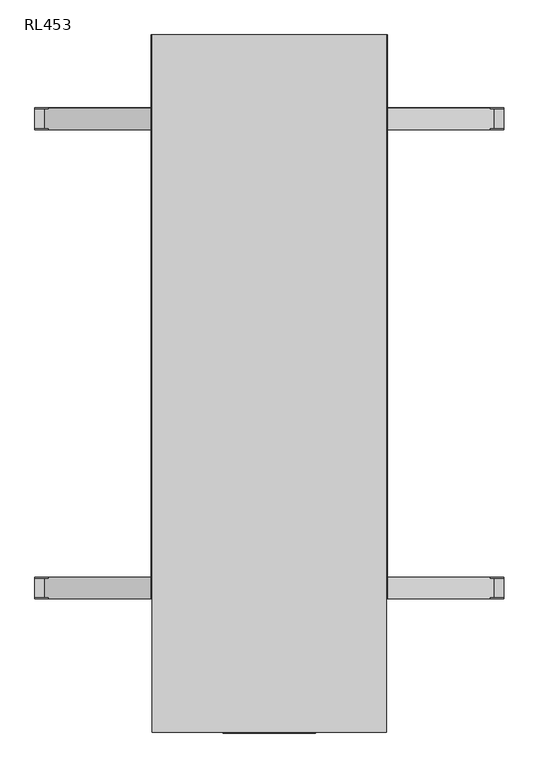
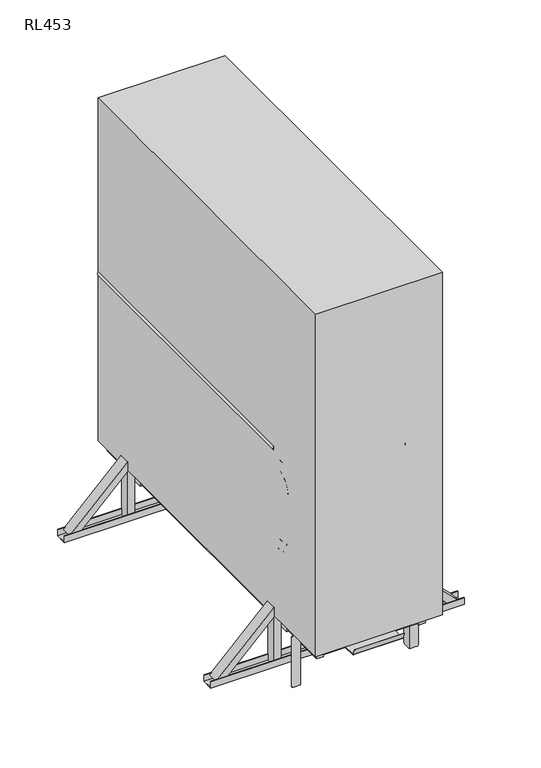
"""IFC4 building model written with IfcOpenShell, lengths in millimetres: proxy geometry, RL453."""

from ifc_helpers import new_model, si_unit, point, frame, frame_2d, origin, place, context, project, spatial, polyline, circle_curve, ellipse_curve, trimmed, segment, composite_curve, outline, extrude, source, transform, mapped, element, save
from ifc_brep_helpers import plane_surface, cylinder_surface, revolved_surface, advanced_brep


def rl453_b0239e3f(model_context):
    return source(origin(), model_context, "Body", "SolidModel", [
        extrude(outline(polyline([(300.0, 230.0), (300.0, 211.5), (-300.0, 211.5), (-300.0, 230.0), (300.0, 230.0)])), frame((0.0, 0.0, 281.5), z_axis=(0.0, 0.0, 1.0), x_axis=(1.0, 0.0, 0.0)), (0.0, 0.0, 1.0), 18.5),
        extrude(outline(polyline([(300.0, 2178.5), (300.0, 2160.0), (-300.0, 2160.0), (-300.0, 2178.5), (300.0, 2178.5)])), frame((0.0, 0.0, 281.5), z_axis=(0.0, 0.0, 1.0), x_axis=(1.0, 0.0, 0.0)), (0.0, 0.0, 1.0), 18.5),
        advanced_brep(
        [(328.5, 499.5, 1160.0), (328.5, 499.5, 1198.0), (328.5, 464.5, 1160.0), (328.5, 464.5, 1198.0), (328.5, 345.5, 1079.0), (328.5, 383.5, 1079.0), (328.5, 383.5, 819.0), (328.5, 345.5, 819.0), (328.5, 464.5, 700.0), (328.5, 464.5, 738.0), (328.5, 499.5, 738.0), (328.5, 499.5, 700.0)],
        [
            (0, 1, circle_curve(frame((328.5, 499.5, 1179.0), z_axis=(0.0, 1.0, 0.0), x_axis=(0.0, 0.0, 1.0)), 19.0)),
            (1, 0, circle_curve(frame((328.5, 499.5, 1179.0), z_axis=(0.0, 1.0, 0.0), x_axis=(0.0, 0.0, 1.0)), 19.0)),
            (0, 2),
            (2, 3, circle_curve(frame((328.5, 464.5, 1179.0), z_axis=(0.0, 1.0, 0.0), x_axis=(0.0, 0.0, 1.0)), 19.0)),
            (3, 1),
            (3, 2, circle_curve(frame((328.5, 464.5, 1179.0), z_axis=(0.0, 1.0, 0.0), x_axis=(0.0, 0.0, 1.0)), 19.0)),
            (4, 3, circle_curve(frame((328.5, 464.5, 1079.0), z_axis=(-1.0, 0.0, 0.0), x_axis=(0.0, 0.0, 1.0)), 119.0)),
            (2, 5, circle_curve(frame((328.5, 464.5, 1079.0), z_axis=(1.0, 0.0, 0.0), x_axis=(0.0, 0.0, 1.0)), 81.0)),
            (5, 4, circle_curve(frame((328.5, 364.5, 1079.0), z_axis=(0.0, 0.0, 1.0), x_axis=(0.0, -1.0, 0.0)), 19.0)),
            (4, 5, circle_curve(frame((328.5, 364.5, 1079.0), z_axis=(0.0, 0.0, 1.0), x_axis=(0.0, -1.0, 0.0)), 19.0)),
            (5, 6),
            (6, 7, circle_curve(frame((328.5, 364.5, 819.0), z_axis=(0.0, 0.0, 1.0), x_axis=(0.0, -1.0, 0.0)), 19.0)),
            (7, 4),
            (7, 6, circle_curve(frame((328.5, 364.5, 819.0), z_axis=(0.0, 0.0, 1.0), x_axis=(0.0, -1.0, 0.0)), 19.0)),
            (8, 7, circle_curve(frame((328.5, 464.5, 819.0), z_axis=(-1.0, 0.0, 0.0), x_axis=(0.0, -1.0, 0.0)), 119.0)),
            (6, 9, circle_curve(frame((328.5, 464.5, 819.0), z_axis=(1.0, 0.0, 0.0), x_axis=(0.0, -1.0, 0.0)), 81.0)),
            (9, 8, circle_curve(frame((328.5, 464.5, 719.0), z_axis=(0.0, -1.0, 0.0), x_axis=(0.0, 0.0, -1.0)), 19.0)),
            (8, 9, circle_curve(frame((328.5, 464.5, 719.0), z_axis=(0.0, -1.0, 0.0), x_axis=(0.0, 0.0, -1.0)), 19.0)),
            (10, 11, circle_curve(frame((328.5, 499.5, 719.0), z_axis=(0.0, 1.0, 0.0), x_axis=(0.0, 0.0, -1.0)), 19.0)),
            (11, 10, circle_curve(frame((328.5, 499.5, 719.0), z_axis=(0.0, 1.0, 0.0), x_axis=(0.0, 0.0, -1.0)), 19.0)),
            (9, 10),
            (11, 8),
        ],
        [
            plane_surface(frame((328.5, 499.5, 1179.0), z_axis=(0.0, 1.0, 0.0), x_axis=(-1.0, 0.0, 0.0))),
            cylinder_surface(frame((328.5, 499.5, 1179.0), z_axis=(0.0, 1.0, 0.0), x_axis=(0.0, 0.0, 1.0)), 19.0),
            revolved_surface(trimmed(ellipse_curve(frame((328.5, 464.5, 1179.0), z_axis=(0.0, 1.0, 0.0), x_axis=(0.0, 0.0, 1.0)), 19.0, 19.0), [point((328.5, 464.5, 1160.0))], [point((328.5, 464.5, 1198.0))], True, "CARTESIAN"), (328.5, 464.5, 1079.0), (1.0, 0.0, 0.0)),
            revolved_surface(trimmed(ellipse_curve(frame((328.5, 464.5, 1179.0), z_axis=(0.0, 1.0, 0.0), x_axis=(0.0, 0.0, 1.0)), 19.0, 19.0), [point((328.5, 464.5, 1198.0))], [point((328.5, 464.5, 1160.0))], True, "CARTESIAN"), (328.5, 464.5, 1079.0), (1.0, 0.0, 0.0)),
            cylinder_surface(frame((328.5, 364.5, 1079.0), z_axis=(0.0, 0.0, 1.0), x_axis=(0.0, -1.0, 0.0)), 19.0),
            revolved_surface(trimmed(ellipse_curve(frame((328.5, 364.5, 819.0), z_axis=(0.0, 0.0, 1.0), x_axis=(0.0, -1.0, 0.0)), 19.0, 19.0), [point((328.5, 383.5, 819.0))], [point((328.5, 345.5, 819.0))], True, "CARTESIAN"), (328.5, 464.5, 819.0), (1.0, 0.0, 0.0)),
            revolved_surface(trimmed(ellipse_curve(frame((328.5, 364.5, 819.0), z_axis=(0.0, 0.0, 1.0), x_axis=(0.0, -1.0, 0.0)), 19.0, 19.0), [point((328.5, 345.5, 819.0))], [point((328.5, 383.5, 819.0))], True, "CARTESIAN"), (328.5, 464.5, 819.0), (1.0, 0.0, 0.0)),
            plane_surface(frame((328.5, 499.5, 719.0), z_axis=(0.0, 1.0, 0.0), x_axis=(-1.0, 0.0, 0.0))),
            cylinder_surface(frame((328.5, 464.5, 719.0), z_axis=(0.0, -1.0, 0.0), x_axis=(0.0, 0.0, -1.0)), 19.0),
        ],
        [
            (0, [[1, 2]]),
            (1, [[-1, 3, 4, 5]]),
            (1, [[-2, -5, 6, -3]]),
            (2, [[7, -4, 8, 9]]),
            (3, [[-8, -6, -7, 10]]),
            (4, [[-9, 11, 12, 13]]),
            (4, [[-10, -13, 14, -11]]),
            (5, [[15, -12, 16, 17]]),
            (6, [[-16, -14, -15, 18]]),
            (7, [[19, 20]]),
            (8, [[-17, 21, -20, 22]]),
            (8, [[-18, -22, -19, -21]]),
        ],
    ),
        advanced_brep(
        [(-328.5, 499.5, 1198.0), (-328.5, 499.5, 1160.0), (-328.5, 464.5, 1160.0), (-328.5, 464.5, 1198.0), (-328.5, 345.5, 1079.0), (-328.5, 383.5, 1079.0), (-328.5, 383.5, 819.0), (-328.5, 345.5, 819.0), (-328.5, 464.5, 700.0), (-328.5, 464.5, 738.0), (-328.5, 499.5, 700.0), (-328.5, 499.5, 738.0)],
        [
            (0, 1, circle_curve(frame((-328.5, 499.5, 1179.0), z_axis=(0.0, 1.0, 0.0), x_axis=(0.0, 0.0, -1.0)), 19.0)),
            (1, 0, circle_curve(frame((-328.5, 499.5, 1179.0), z_axis=(0.0, 1.0, 0.0), x_axis=(0.0, 0.0, -1.0)), 19.0)),
            (1, 2),
            (2, 3, circle_curve(frame((-328.5, 464.5, 1179.0), z_axis=(0.0, 1.0, 0.0), x_axis=(0.0, 0.0, -1.0)), 19.0)),
            (3, 0),
            (3, 2, circle_curve(frame((-328.5, 464.5, 1179.0), z_axis=(0.0, 1.0, 0.0), x_axis=(0.0, 0.0, -1.0)), 19.0)),
            (4, 3, circle_curve(frame((-328.5, 464.5, 1079.0), z_axis=(-1.0, 0.0, 0.0), x_axis=(0.0, 0.0, 1.0)), 119.0)),
            (2, 5, circle_curve(frame((-328.5, 464.5, 1079.0), z_axis=(1.0, 0.0, 0.0), x_axis=(0.0, 0.0, 1.0)), 81.0)),
            (5, 4, circle_curve(frame((-328.5, 364.5, 1079.0), z_axis=(0.0, 0.0, 1.0), x_axis=(0.0, 1.0, 0.0)), 19.0)),
            (4, 5, circle_curve(frame((-328.5, 364.5, 1079.0), z_axis=(0.0, 0.0, 1.0), x_axis=(0.0, 1.0, 0.0)), 19.0)),
            (5, 6),
            (6, 7, circle_curve(frame((-328.5, 364.5, 819.0), z_axis=(0.0, 0.0, 1.0), x_axis=(0.0, 1.0, 0.0)), 19.0)),
            (7, 4),
            (7, 6, circle_curve(frame((-328.5, 364.5, 819.0), z_axis=(0.0, 0.0, 1.0), x_axis=(0.0, 1.0, 0.0)), 19.0)),
            (8, 7, circle_curve(frame((-328.5, 464.5, 819.0), z_axis=(-1.0, 0.0, 0.0), x_axis=(0.0, -1.0, 0.0)), 119.0)),
            (6, 9, circle_curve(frame((-328.5, 464.5, 819.0), z_axis=(1.0, 0.0, 0.0), x_axis=(0.0, -1.0, 0.0)), 81.0)),
            (9, 8, circle_curve(frame((-328.5, 464.5, 719.0), z_axis=(0.0, -1.0, 0.0), x_axis=(0.0, 0.0, 1.0)), 19.0)),
            (8, 9, circle_curve(frame((-328.5, 464.5, 719.0), z_axis=(0.0, -1.0, 0.0), x_axis=(0.0, 0.0, 1.0)), 19.0)),
            (10, 11, circle_curve(frame((-328.5, 499.5, 719.0), z_axis=(0.0, 1.0, 0.0), x_axis=(0.0, 0.0, 1.0)), 19.0)),
            (11, 10, circle_curve(frame((-328.5, 499.5, 719.0), z_axis=(0.0, 1.0, 0.0), x_axis=(0.0, 0.0, 1.0)), 19.0)),
            (9, 11),
            (10, 8),
        ],
        [
            plane_surface(frame((-328.5, 499.5, 1179.0), z_axis=(0.0, 1.0, 0.0), x_axis=(1.0, 0.0, 0.0))),
            cylinder_surface(frame((-328.5, 499.5, 1179.0), z_axis=(0.0, 1.0, 0.0), x_axis=(0.0, 0.0, -1.0)), 19.0),
            revolved_surface(trimmed(ellipse_curve(frame((-328.5, 464.5, 1179.0), z_axis=(0.0, 1.0, 0.0), x_axis=(0.0, 0.0, -1.0)), 19.0, 19.0), [point((-328.5, 464.5, 1160.0))], [point((-328.5, 464.5, 1198.0))], True, "CARTESIAN"), (-328.5, 464.5, 1079.0), (1.0, 0.0, 0.0)),
            revolved_surface(trimmed(ellipse_curve(frame((-328.5, 464.5, 1179.0), z_axis=(0.0, 1.0, 0.0), x_axis=(0.0, 0.0, -1.0)), 19.0, 19.0), [point((-328.5, 464.5, 1198.0))], [point((-328.5, 464.5, 1160.0))], True, "CARTESIAN"), (-328.5, 464.5, 1079.0), (1.0, 0.0, 0.0)),
            cylinder_surface(frame((-328.5, 364.5, 1079.0), z_axis=(0.0, 0.0, 1.0), x_axis=(0.0, 1.0, 0.0)), 19.0),
            revolved_surface(trimmed(ellipse_curve(frame((-328.5, 364.5, 819.0), z_axis=(0.0, 0.0, 1.0), x_axis=(0.0, 1.0, 0.0)), 19.0, 19.0), [point((-328.5, 383.5, 819.0))], [point((-328.5, 345.5, 819.0))], True, "CARTESIAN"), (-328.5, 464.5, 819.0), (1.0, 0.0, 0.0)),
            revolved_surface(trimmed(ellipse_curve(frame((-328.5, 364.5, 819.0), z_axis=(0.0, 0.0, 1.0), x_axis=(0.0, 1.0, 0.0)), 19.0, 19.0), [point((-328.5, 345.5, 819.0))], [point((-328.5, 383.5, 819.0))], True, "CARTESIAN"), (-328.5, 464.5, 819.0), (1.0, 0.0, 0.0)),
            plane_surface(frame((-328.5, 499.5, 719.0), z_axis=(0.0, 1.0, 0.0), x_axis=(1.0, 0.0, 0.0))),
            cylinder_surface(frame((-328.5, 464.5, 719.0), z_axis=(0.0, -1.0, 0.0), x_axis=(0.0, 0.0, 1.0)), 19.0),
        ],
        [
            (0, [[1, 2]]),
            (1, [[-2, 3, 4, 5]]),
            (1, [[-1, -5, 6, -3]]),
            (2, [[7, -4, 8, 9]]),
            (3, [[-8, -6, -7, 10]]),
            (4, [[-9, 11, 12, 13]]),
            (4, [[-10, -13, 14, -11]]),
            (5, [[15, -12, 16, 17]]),
            (6, [[-16, -14, -15, 18]]),
            (7, [[19, 20]]),
            (8, [[-17, 21, -19, 22]]),
            (8, [[-18, -22, -20, -21]]),
        ],
    ),
        extrude(outline(polyline([(300.0, 2178.5), (300.0, 176.5), (262.0, 176.5), (262.0, 189.5), (-262.0, 189.5), (-262.0, 176.5), (-300.0, 176.5), (-300.0, 2178.5), (300.0, 2178.5)]), holes=[polyline([(262.0, 2140.5), (-262.0, 2140.5), (-262.0, 227.5), (262.0, 227.5), (262.0, 2140.5)])]), frame((0.0, 0.0, 224.2375855), z_axis=(0.0, 0.0, 1.0), x_axis=(1.0, 0.0, 0.0)), (0.0, 0.0, 1.0), 57.2624145),
        extrude(outline(composite_curve([segment(polyline([(1261.43534, -349.5), (1243.0, -349.5), (1243.0, -307.5), (1261.43534, -307.5)]), True, "CONTINUOUS"), segment(trimmed(circle_curve(frame_2d((1275.0, -328.5)), 25.0), [point((1261.43534, -307.5))], [point((1261.43534, -349.5))], False, "CARTESIAN"), True, "CONTINUOUS")], self_intersect=False)), frame((0.0, 498.5, 0.0), z_axis=(0.0, 1.0, 0.0), x_axis=(0.0, 0.0, 1.0)), (0.0, 0.0, 1.0), 1680.0),
        extrude(outline(composite_curve([segment(trimmed(circle_curve(frame_2d((1275.0, 328.5)), 25.0), [point((1261.43534, 349.5))], [point((1261.43534, 307.5))], False, "CARTESIAN"), True, "CONTINUOUS"), segment(polyline([(1261.43534, 307.5), (1243.0, 307.5), (1243.0, 349.5), (1261.43534, 349.5)]), True, "CONTINUOUS")], self_intersect=False)), frame((0.0, 498.5, 0.0), z_axis=(0.0, 1.0, 0.0), x_axis=(0.0, 0.0, 1.0)), (0.0, 0.0, 1.0), 1680.0),
        extrude(outline(composite_curve([segment(trimmed(circle_curve(frame_2d((808.0, 294.5187617)), 20.0), [point((821.25, 309.5))], [point((794.75, 309.5))], False, "CARTESIAN"), True, "CONTINUOUS"), segment(polyline([(794.75, 309.5), (821.25, 309.5)]), True, "CONTINUOUS")], self_intersect=False)), frame((0.0, 499.5, 0.0), z_axis=(0.0, 1.0, 0.0), x_axis=(0.0, 0.0, 1.0)), (0.0, 0.0, 1.0), 1679.0),
        extrude(outline(composite_curve([segment(polyline([(821.25, -309.5), (794.75, -309.5)]), True, "CONTINUOUS"), segment(trimmed(circle_curve(frame_2d((808.0, -294.5187617)), 20.0), [point((794.75, -309.5))], [point((821.25, -309.5))], False, "CARTESIAN"), True, "CONTINUOUS")], self_intersect=False)), frame((0.0, 499.5, 0.0), z_axis=(0.0, 1.0, 0.0), x_axis=(0.0, 0.0, 1.0)), (0.0, 0.0, 1.0), 1679.0),
        extrude(outline(polyline([(558.0, 38.0), (561.0, 38.0), (561.0, 0.0), (496.0, 0.0), (496.0, 38.0), (499.0, 38.0), (499.0, 3.0), (558.0, 3.0), (558.0, 38.0)])), frame((-700.0, 0.0, 0.0), z_axis=(1.0, 0.0, 0.0), x_axis=(0.0, 1.0, 0.0)), (0.0, 0.0, 1.0), 1400.0),
        extrude(outline(polyline([(1961.0, 38.0), (1961.0, 0.0), (1896.0, 0.0), (1896.0, 38.0), (1899.0, 38.0), (1899.0, 3.0), (1958.0, 3.0), (1958.0, 38.0), (1961.0, 38.0)])), frame((-700.0, 0.0, 0.0), z_axis=(1.0, 0.0, 0.0), x_axis=(0.0, 1.0, 0.0)), (0.0, 0.0, 1.0), 1400.0),
        extrude(outline(polyline([(-29.0, -38.0), (-32.0, -38.0), (-32.0, 0.0), (32.0, 0.0), (32.0, -38.0), (29.0, -38.0), (29.0, -2.9999999), (-29.0, -2.9999999), (-29.0, -38.0)])), frame((670.0, 528.5, 28.0), z_axis=(-0.7071067811865459, 0.0, 0.7071067811865492), x_axis=(0.0, -1.0, 0.0)), (0.0, 0.0, 1.0), 456.0838739),
        extrude(outline(polyline([(-29.0, 38.0), (-29.0, 2.9999999), (29.0, 2.9999999), (29.0, 38.0), (32.0, 38.0), (32.0, 0.0), (-32.0, 0.0), (-32.0, 38.0), (-29.0, 38.0)])), frame((-670.0, 528.5, 28.0), z_axis=(0.7071067811865526, 0.0, 0.7071067811865425), x_axis=(0.0, -1.0, 0.0)), (0.0, 0.0, 1.0), 456.0838739),
        extrude(outline(polyline([(-29.0, -38.0), (-32.0, -38.0), (-32.0, 0.0), (32.0, 0.0), (32.0, -38.0), (29.0, -38.0), (29.0, -2.9999999), (-29.0, -2.9999999), (-29.0, -38.0)])), frame((670.0, 1928.5, 28.0), z_axis=(-0.7071067811865461, 0.0, 0.7071067811865491), x_axis=(0.0, -1.0, 0.0)), (0.0, 0.0, 1.0), 456.0838739),
        extrude(outline(polyline([(-29.0, 38.0), (-29.0, 2.9999999), (29.0, 2.9999999), (29.0, 38.0), (32.0, 38.0), (32.0, 0.0), (-32.0, 0.0), (-32.0, 38.0), (-29.0, 38.0)])), frame((-670.0, 1928.5, 28.0), z_axis=(0.7071067811865526, 0.0, 0.7071067811865425), x_axis=(0.0, -1.0, 0.0)), (0.0, 0.0, 1.0), 456.0838739),
        extrude(outline(polyline([(347.5, 557.5), (347.5, 499.5), (309.5, 499.5), (309.5, 557.5), (347.5, 557.5)])), frame((0.0, 0.0, 3.0), z_axis=(0.0, 0.0, 1.0), x_axis=(1.0, 0.0, 0.0)), (0.0, 0.0, 1.0), 1240.0),
        extrude(outline(polyline([(347.5, 1957.5), (347.5, 1899.5), (309.5, 1899.5), (309.5, 1957.5), (347.5, 1957.5)])), frame((0.0, 0.0, 3.0), z_axis=(0.0, 0.0, 1.0), x_axis=(1.0, 0.0, 0.0)), (0.0, 0.0, 1.0), 1240.0),
        extrude(outline(polyline([(-309.5, 1957.5), (-309.5, 1899.5), (-347.5, 1899.5), (-347.5, 1957.5), (-309.5, 1957.5)])), frame((0.0, 0.0, 3.0), z_axis=(0.0, 0.0, 1.0), x_axis=(1.0, 0.0, 0.0)), (0.0, 0.0, 1.0), 1240.0),
        extrude(outline(polyline([(-309.5, 557.5), (-309.5, 499.5), (-347.5, 499.5), (-347.5, 557.5), (-309.5, 557.5)])), frame((0.0, 0.0, 3.0), z_axis=(0.0, 0.0, 1.0), x_axis=(1.0, 0.0, 0.0)), (0.0, 0.0, 1.0), 1240.0),
        extrude(outline(polyline([(300.0, 2160.0), (300.0, 230.0), (-300.0, 230.0), (-300.0, 2160.0), (300.0, 2160.0)])), frame((0.0, 0.0, 281.5), z_axis=(0.0, 0.0, 1.0), x_axis=(1.0, 0.0, 0.0)), (0.0, 0.0, 1.0), 18.5),
        extrude(outline(polyline([(262.0, 725.5), (262.0, 667.5), (-262.0, 667.5), (-262.0, 725.5), (262.0, 725.5)])), frame((0.0, 0.0, 243.5), z_axis=(0.0, 0.0, 1.0), x_axis=(1.0, 0.0, 0.0)), (0.0, 0.0, 1.0), 38.0),
        advanced_brep(
        [(-303.0, 368.5, 279.9812072), (-303.0, 378.5, 269.9812072), (-303.0, 378.5, -10.0187928), (-303.0, 368.5, -20.0187928), (-303.0, 331.5, -20.0187928), (-303.0, 331.5, 279.9812072), (-300.0, 328.5, -20.0187928), (-300.0, 368.5, -20.0187928), (-300.0, 378.5, -10.0187928), (-300.0, 378.5, 269.9812072), (-300.0, 368.5, 279.9812072), (-300.0, 328.5, 279.9812072), (-340.0, 331.5, 279.9812072), (-340.0, 328.5, 279.9812072), (-350.0, 328.5, 269.9812072), (-350.0, 328.5, -10.0187928), (-340.0, 328.5, -20.0187928), (-340.0, 331.5, -20.0187928), (-350.0, 331.5, -10.0187928), (-350.0, 331.5, 269.9812072)],
        [
            (0, 1, circle_curve(frame((-303.0, 368.5, 269.9812072), z_axis=(-1.0, 0.0, 0.0), x_axis=(0.0, 1.0, 0.0)), 10.0)),
            (1, 2),
            (2, 3, circle_curve(frame((-303.0, 368.5, -10.0187928), z_axis=(-1.0, 0.0, 0.0), x_axis=(0.0, 1.0, 0.0)), 10.0)),
            (3, 4),
            (4, 5),
            (5, 0),
            (6, 7),
            (7, 8, circle_curve(frame((-300.0, 368.5, -10.0187928), z_axis=(1.0, 0.0, 0.0), x_axis=(0.0, 1.0, 0.0)), 10.0)),
            (8, 9),
            (9, 10, circle_curve(frame((-300.0, 368.5, 269.9812072), z_axis=(1.0, 0.0, 0.0), x_axis=(0.0, 1.0, 0.0)), 10.0)),
            (10, 11),
            (11, 6),
            (2, 8),
            (7, 3),
            (1, 9),
            (0, 10),
            (5, 12),
            (12, 13),
            (13, 11),
            (13, 14, circle_curve(frame((-340.0, 328.5, 269.9812072), z_axis=(0.0, -1.0, 0.0), x_axis=(-1.0, 0.0, 0.0)), 10.0)),
            (14, 15),
            (15, 16, circle_curve(frame((-340.0, 328.5, -10.0187928), z_axis=(0.0, -1.0, 0.0), x_axis=(-1.0, 0.0, 0.0)), 10.0)),
            (16, 6),
            (16, 17),
            (17, 4),
            (17, 18, circle_curve(frame((-340.0, 331.5, -10.0187928), z_axis=(0.0, 1.0, 0.0), x_axis=(-1.0, 0.0, 0.0)), 10.0)),
            (18, 19),
            (19, 12, circle_curve(frame((-340.0, 331.5, 269.9812072), z_axis=(0.0, 1.0, 0.0), x_axis=(-1.0, 0.0, 0.0)), 10.0)),
            (15, 18),
            (14, 19),
        ],
        [
            plane_surface(frame((-303.0, 378.5, -10.0187928), z_axis=(-1.0, 0.0, 0.0), x_axis=(0.0, 0.0, -1.0))),
            plane_surface(frame((-300.0, 378.5, -10.0187928), z_axis=(1.0, 0.0, 0.0), x_axis=(0.0, 0.0, 1.0))),
            cylinder_surface(frame((-303.0, 368.5, -10.0187928), z_axis=(1.0, 0.0, 0.0), x_axis=(0.0, 1.0, 0.0)), 10.0),
            plane_surface(frame((-300.0, 378.5, -10.0187928), z_axis=(0.0, 1.0, 0.0), x_axis=(-1.0, 0.0, 0.0))),
            cylinder_surface(frame((-303.0, 368.5, 269.9812072), z_axis=(1.0, 0.0, 0.0), x_axis=(0.0, 1.0, 0.0)), 10.0),
            plane_surface(frame((-300.0, 368.5, 279.9812072), z_axis=(0.0, 0.0, 1.0), x_axis=(-1.0, 0.0, 0.0))),
            plane_surface(frame((-300.0, 328.5, 279.9812072), z_axis=(0.0, -1.0, 0.0), x_axis=(-1.0, 0.0, 0.0))),
            plane_surface(frame((-300.0, 328.5, -20.0187928), z_axis=(0.0, 0.0, -1.0), x_axis=(-1.0, 0.0, 0.0))),
            plane_surface(frame((-300.0, 331.5, -20.0187928), z_axis=(0.0, 1.0, 0.0), x_axis=(-1.0, 0.0, 0.0))),
            cylinder_surface(frame((-340.0, 331.5, -10.0187928), z_axis=(0.0, -1.0, 0.0), x_axis=(-1.0, 0.0, 0.0)), 10.0),
            plane_surface(frame((-350.0, 328.5, 269.9812072), z_axis=(-1.0, 0.0, 0.0), x_axis=(0.0, 1.0, 0.0))),
            cylinder_surface(frame((-340.0, 331.5, 269.9812072), z_axis=(0.0, -1.0, 0.0), x_axis=(-1.0, 0.0, 0.0)), 10.0),
        ],
        [
            (0, [[1, 2, 3, 4, 5, 6]]),
            (1, [[7, 8, 9, 10, 11, 12]]),
            (2, [[-3, 13, -8, 14]]),
            (3, [[-2, 15, -9, -13]]),
            (4, [[-1, 16, -10, -15]]),
            (5, [[-16, -6, 17, 18, 19, -11]]),
            (6, [[-12, -19, 20, 21, 22, 23]]),
            (7, [[-14, -7, -23, 24, 25, -4]]),
            (8, [[26, 27, 28, -17, -5, -25]]),
            (9, [[-26, -24, -22, 29]]),
            (10, [[-27, -29, -21, 30]]),
            (11, [[-28, -30, -20, -18]]),
        ],
    ),
        advanced_brep(
        [(340.0, 331.5, 279.9812072), (350.0, 331.5, 269.9812072), (350.0, 331.5, -10.0187928), (340.0, 331.5, -20.0187928), (303.0, 331.5, -20.0187928), (303.0, 331.5, 279.9812072), (300.0, 328.5, -20.0187928), (340.0, 328.5, -20.0187928), (350.0, 328.5, -10.0187928), (350.0, 328.5, 269.9812072), (340.0, 328.5, 279.9812072), (300.0, 328.5, 279.9812072), (303.0, 368.5, 279.9812072), (300.0, 368.5, 279.9812072), (300.0, 378.5, 269.9812072), (300.0, 378.5, -10.0187928), (300.0, 368.5, -20.0187928), (303.0, 368.5, -20.0187928), (303.0, 378.5, -10.0187928), (303.0, 378.5, 269.9812072)],
        [
            (0, 1, circle_curve(frame((340.0, 331.5, 269.9812072), z_axis=(0.0, 1.0, 0.0), x_axis=(1.0, 0.0, 0.0)), 10.0)),
            (1, 2),
            (2, 3, circle_curve(frame((340.0, 331.5, -10.0187928), z_axis=(0.0, 1.0, 0.0), x_axis=(1.0, 0.0, 0.0)), 10.0)),
            (3, 4),
            (4, 5),
            (5, 0),
            (6, 7),
            (7, 8, circle_curve(frame((340.0, 328.5, -10.0187928), z_axis=(0.0, -1.0, 0.0), x_axis=(1.0, 0.0, 0.0)), 10.0)),
            (8, 9),
            (9, 10, circle_curve(frame((340.0, 328.5, 269.9812072), z_axis=(0.0, -1.0, 0.0), x_axis=(1.0, 0.0, 0.0)), 10.0)),
            (10, 11),
            (11, 6),
            (2, 8),
            (7, 3),
            (1, 9),
            (0, 10),
            (5, 12),
            (12, 13),
            (13, 11),
            (13, 14, circle_curve(frame((300.0, 368.5, 269.9812072), z_axis=(-1.0, 0.0, 0.0), x_axis=(0.0, 1.0, 0.0)), 10.0)),
            (14, 15),
            (15, 16, circle_curve(frame((300.0, 368.5, -10.0187928), z_axis=(-1.0, 0.0, 0.0), x_axis=(0.0, 1.0, 0.0)), 10.0)),
            (16, 6),
            (16, 17),
            (17, 4),
            (17, 18, circle_curve(frame((303.0, 368.5, -10.0187928), z_axis=(1.0, 0.0, 0.0), x_axis=(0.0, 1.0, 0.0)), 10.0)),
            (18, 19),
            (19, 12, circle_curve(frame((303.0, 368.5, 269.9812072), z_axis=(1.0, 0.0, 0.0), x_axis=(0.0, 1.0, 0.0)), 10.0)),
            (15, 18),
            (14, 19),
        ],
        [
            plane_surface(frame((350.0, 331.5, -10.0187928), z_axis=(0.0, 1.0, 0.0), x_axis=(0.0, 0.0, -1.0))),
            plane_surface(frame((350.0, 328.5, -10.0187928), z_axis=(0.0, -1.0, 0.0), x_axis=(0.0, 0.0, 1.0))),
            cylinder_surface(frame((340.0, 331.5, -10.0187928), z_axis=(0.0, -1.0, 0.0), x_axis=(1.0, 0.0, 0.0)), 10.0),
            plane_surface(frame((350.0, 328.5, -10.0187928), z_axis=(1.0, 0.0, 0.0), x_axis=(0.0, 1.0, 0.0))),
            cylinder_surface(frame((340.0, 331.5, 269.9812072), z_axis=(0.0, -1.0, 0.0), x_axis=(1.0, 0.0, 0.0)), 10.0),
            plane_surface(frame((340.0, 328.5, 279.9812072), z_axis=(0.0, 0.0, 1.0), x_axis=(0.0, 1.0, 0.0))),
            plane_surface(frame((300.0, 328.5, 279.9812072), z_axis=(-1.0, 0.0, 0.0), x_axis=(0.0, 1.0, 0.0))),
            plane_surface(frame((300.0, 328.5, -20.0187928), z_axis=(0.0, 0.0, -1.0), x_axis=(0.0, 1.0, 0.0))),
            plane_surface(frame((303.0, 328.5, -20.0187928), z_axis=(1.0, 0.0, 0.0), x_axis=(0.0, 1.0, 0.0))),
            cylinder_surface(frame((303.0, 368.5, -10.0187928), z_axis=(-1.0, 0.0, 0.0), x_axis=(0.0, 1.0, 0.0)), 10.0),
            plane_surface(frame((300.0, 378.5, 269.9812072), z_axis=(0.0, 1.0, 0.0), x_axis=(1.0, 0.0, 0.0))),
            cylinder_surface(frame((303.0, 368.5, 269.9812072), z_axis=(-1.0, 0.0, 0.0), x_axis=(0.0, 1.0, 0.0)), 10.0),
        ],
        [
            (0, [[1, 2, 3, 4, 5, 6]]),
            (1, [[7, 8, 9, 10, 11, 12]]),
            (2, [[-3, 13, -8, 14]]),
            (3, [[-2, 15, -9, -13]]),
            (4, [[-1, 16, -10, -15]]),
            (5, [[-16, -6, 17, 18, 19, -11]]),
            (6, [[-12, -19, 20, 21, 22, 23]]),
            (7, [[-14, -7, -23, 24, 25, -4]]),
            (8, [[26, 27, 28, -17, -5, -25]]),
            (9, [[-26, -24, -22, 29]]),
            (10, [[-27, -29, -21, 30]]),
            (11, [[-28, -30, -20, -18]]),
        ],
    ),
        extrude(outline(composite_curve([segment(polyline([(187.5, 233.5), (187.5, 278.6), (189.5, 278.6), (189.5, 233.5)]), True, "CONTINUOUS"), segment(trimmed(circle_curve(frame_2d((185.5, 233.5)), 4.0), [point((189.5, 233.5))], [point((185.5, 229.5))], False, "CARTESIAN"), True, "CONTINUOUS"), segment(polyline([(185.5, 229.5), (112.4508302, 229.5)]), True, "CONTINUOUS"), segment(trimmed(circle_curve(frame_2d((112.4508302, 233.5)), 4.0), [point((112.4508302, 229.5))], [point((108.6920597, 232.1319194))], False, "CARTESIAN"), True, "CONTINUOUS"), segment(polyline([(108.6920597, 232.1319194), (95.6955782, 267.8394589), (97.5749634, 268.5234992), (110.5714449, 232.8159597)]), True, "CONTINUOUS"), segment(trimmed(circle_curve(frame_2d((112.4508302, 233.5)), 2.0), [point((110.5714449, 232.8159597))], [point((112.4508302, 231.5))], True, "CARTESIAN"), True, "CONTINUOUS"), segment(polyline([(112.4508302, 231.5), (185.5, 231.5)]), True, "CONTINUOUS"), segment(trimmed(circle_curve(frame_2d((185.5, 233.5)), 2.0), [point((185.5, 231.5))], [point((187.5, 233.5))], True, "CARTESIAN"), True, "CONTINUOUS")], self_intersect=False)), frame((-137.5, 0.0, 0.0), z_axis=(1.0, 0.0, 0.0), x_axis=(0.0, 1.0, 0.0)), (0.0, 0.0, 1.0), 275.0),
        extrude(outline(polyline([(300.0, 1848.5), (300.0, 2008.5), (309.5, 2008.5), (309.5, 1848.5), (300.0, 1848.5)])), frame((0.0, 0.0, 220.0), z_axis=(0.0, 0.0, 1.0), x_axis=(1.0, 0.0, 0.0)), (0.0, 0.0, 1.0), 80.0),
        extrude(outline(polyline([(300.0, 448.5), (300.0, 608.5), (309.5, 608.5), (309.5, 448.5), (300.0, 448.5)])), frame((0.0, 0.0, 220.0), z_axis=(0.0, 0.0, 1.0), x_axis=(1.0, 0.0, 0.0)), (0.0, 0.0, 1.0), 80.0),
        extrude(outline(polyline([(-300.0, 2008.5), (-300.0, 1848.5), (-309.5, 1848.5), (-309.5, 2008.5), (-300.0, 2008.5)])), frame((0.0, 0.0, 220.0), z_axis=(0.0, 0.0, 1.0), x_axis=(1.0, 0.0, 0.0)), (0.0, 0.0, 1.0), 80.0),
        extrude(outline(polyline([(-300.0, 608.5), (-300.0, 448.5), (-309.5, 448.5), (-309.5, 608.5), (-300.0, 608.5)])), frame((0.0, 0.0, 220.0), z_axis=(0.0, 0.0, 1.0), x_axis=(1.0, 0.0, 0.0)), (0.0, 0.0, 1.0), 80.0),
        extrude(outline(polyline([(262.0, 1689.5), (262.0, 1631.5), (-262.0, 1631.5), (-262.0, 1689.5), (262.0, 1689.5)])), frame((0.0, 0.0, 243.5), z_axis=(0.0, 0.0, 1.0), x_axis=(1.0, 0.0, 0.0)), (0.0, 0.0, 1.0), 38.0),
        extrude(outline(polyline([(262.0, 1207.5), (262.0, 1149.5), (-262.0, 1149.5), (-262.0, 1207.5), (262.0, 1207.5)])), frame((0.0, 0.0, 243.5), z_axis=(0.0, 0.0, 1.0), x_axis=(1.0, 0.0, 0.0)), (0.0, 0.0, 1.0), 38.0),
        extrude(outline(polyline([(350.5, 2178.5), (350.5, 98.5), (-350.5, 98.5), (-350.5, 2178.5), (350.5, 2178.5)])), frame((0.0, 0.0, 300.0), z_axis=(0.0, 0.0, 1.0), x_axis=(1.0, 0.0, 0.0)), (0.0, 0.0, 1.0), 2000.0),
    ])


if __name__ == "__main__":
    model = new_model("IFC4")
    model_context = context("Model", 3, world=origin())
    ifc_project = project(units=[si_unit("LENGTHUNIT", "METRE", prefix="MILLI")], contexts=[model_context])
    site = spatial("IfcSite", under=ifc_project)
    building = spatial("IfcBuilding", under=site)
    placement = place(None, origin())
    rl453_shape = rl453_b0239e3f(model_context)
    element("IfcBuildingElementProxy", 1, Name="RL453", ObjectType="RL453", at=placement, inside=building, context=model_context, shape_type="MappedRepresentation", body=[
        mapped(rl453_shape, transform((0.0, 0.0, 0.0), x_axis=(1.0, 0.0, 0.0), y_axis=(0.0, 1.0, 0.0), z_axis=(0.0, 0.0, 1.0))),
    ])
    save(model, "model.ifc")
